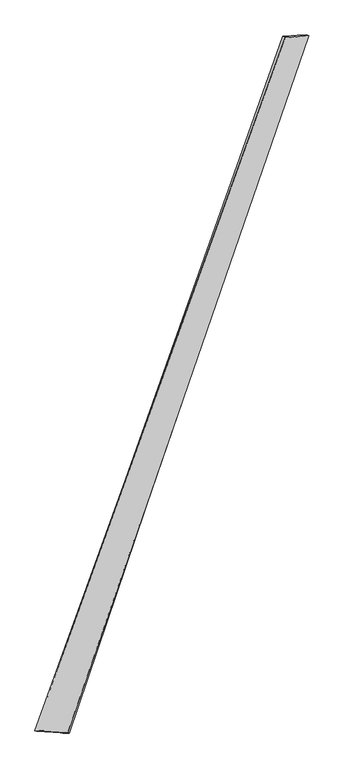
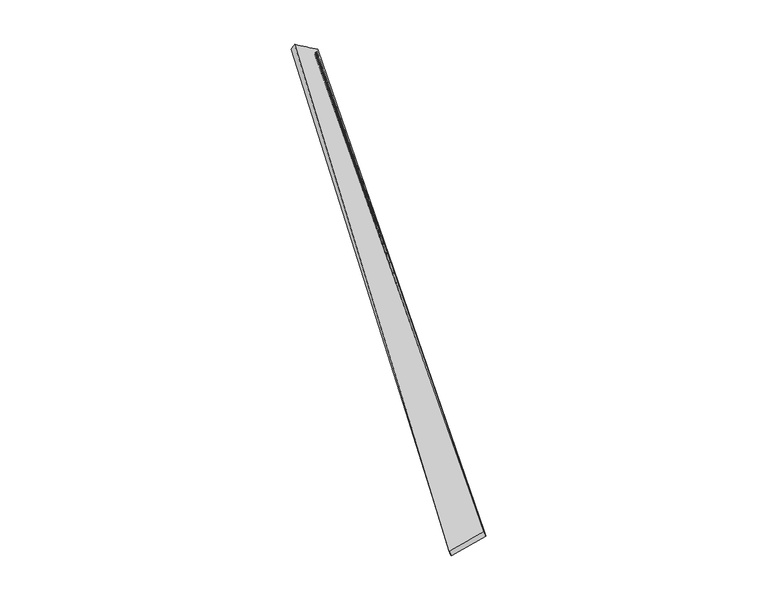
"""IFC4 building model written with IfcOpenShell, lengths in millimetres: proxy geometry."""

from ifc_helpers import new_model, si_unit, origin, place, context, project, spatial, source, transform, mapped, element, save
from ifc_brep_helpers import spline_surface, advanced_brep


def generic_models_933d6277(model_context):
    return source(origin(), model_context, "Body", "AdvancedBrep", [
        advanced_brep(
        [(-714.4313624, -1809.8927846, -28.9005884), (-723.9202073, -1807.0301726, -0.5850931), (718.6581856, 2185.4579759, 66.4376738), (702.9853855, 2191.4478199, 41.568313), (-535.1747423, -1818.7906817, 57.5343148), (854.3610463, 2195.5485105, -16.1531524), (-527.4271437, -1821.9246215, 28.7219367), (838.8731205, 2200.3695863, -41.3896613)],
        [
            (0, 1),
            (1, 2),
            (2, 3),
            (3, 0),
            (1, 4),
            (4, 5),
            (5, 2),
            (4, 6),
            (6, 7),
            (7, 5),
            (6, 0),
            (3, 7),
        ],
        [
            spline_surface(1, 1, [[(-714.4313624, -1809.8927846, -28.9005884), (702.9853855, 2191.4478199, 41.568313)], [(-723.9202073, -1807.0301726, -0.5850931), (718.6581856, 2185.4579759, 66.4376738)]], [2, 2], [2, 2], [0.0, 1.0], [0.0, 1.0]),
            spline_surface(1, 1, [[(-723.9202073, -1807.0301726, -0.5850931), (718.6581856, 2185.4579759, 66.4376738)], [(-535.1747423, -1818.7906817, 57.5343148), (854.3610463, 2195.5485105, -16.1531524)]], [2, 2], [2, 2], [0.0, 1.0], [0.0, 1.0]),
            spline_surface(1, 1, [[(-535.1747423, -1818.7906817, 57.5343148), (854.3610463, 2195.5485105, -16.1531524)], [(-527.4271437, -1821.9246215, 28.7219367), (838.8731205, 2200.3695863, -41.3896613)]], [2, 2], [2, 2], [0.0, 1.0], [0.0, 1.0]),
            spline_surface(1, 1, [[(-527.4271437, -1821.9246215, 28.7219367), (838.8731205, 2200.3695863, -41.3896613)], [(-714.4313624, -1809.8927846, -28.9005884), (702.9853855, 2191.4478199, 41.568313)]], [2, 2], [2, 2], [0.0, 1.0], [0.0, 1.0]),
            spline_surface(1, 1, [[(718.6581856, 2185.4579759, 66.4376738), (702.9853855, 2191.4478199, 41.568313)], [(854.3610463, 2195.5485105, -16.1531524), (838.8731205, 2200.3695863, -41.3896613)]], [2, 2], [2, 2], [0.0, 1.0], [0.0, 1.0]),
            spline_surface(1, 1, [[(-527.4271437, -1821.9246215, 28.7219367), (-714.4313624, -1809.8927846, -28.9005884)], [(-535.1747423, -1818.7906817, 57.5343148), (-723.9202073, -1807.0301726, -0.5850931)]], [2, 2], [2, 2], [0.0, 1.0], [0.0, 1.0]),
        ],
        [
            (0, [[1, 2, 3, 4]]),
            (1, [[5, 6, 7, -2]]),
            (2, [[8, 9, 10, -6]]),
            (3, [[11, -4, 12, -9]]),
            (4, [[-3, -7, -10, -12]]),
            (5, [[-11, -8, -5, -1]]),
        ],
    ),
    ])


if __name__ == "__main__":
    model = new_model("IFC4")
    model_context = context("Model", 3, world=origin())
    ifc_project = project(units=[si_unit("LENGTHUNIT", "METRE", prefix="MILLI")], contexts=[model_context])
    site = spatial("IfcSite", under=ifc_project)
    building = spatial("IfcBuilding", under=site)
    placement = place(None, origin())
    generic_models_shape = generic_models_933d6277(model_context)
    element("IfcBuildingElementProxy", 1, Name="Generic Models", at=placement, inside=building, context=model_context, shape_type="MappedRepresentation", body=[
        mapped(generic_models_shape, transform((0.0, 0.0, 0.0), x_axis=(1.0, 0.0, 0.0), y_axis=(0.0, 1.0, 0.0), z_axis=(0.0, 0.0, 1.0))),
    ])
    save(model, "model.ifc")
